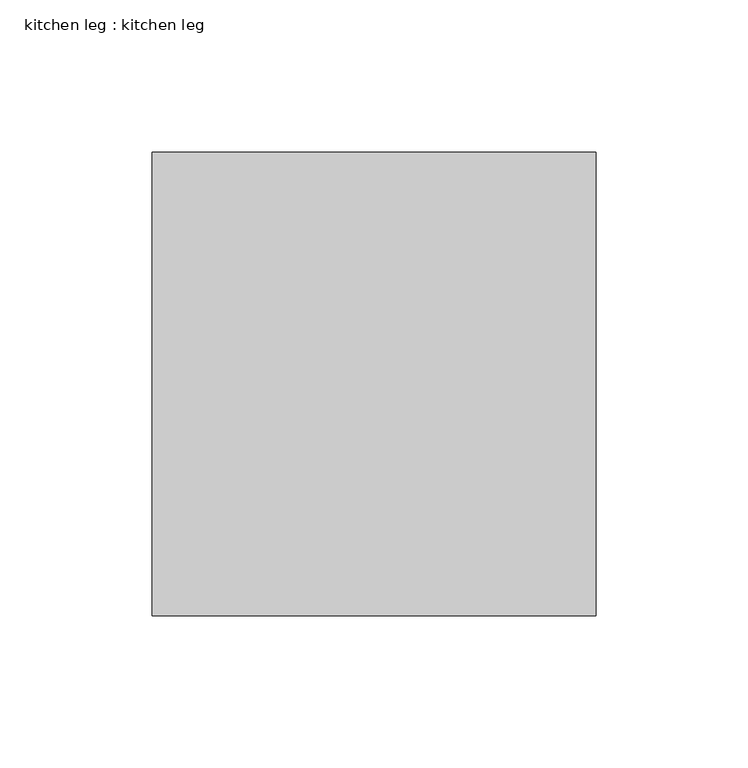
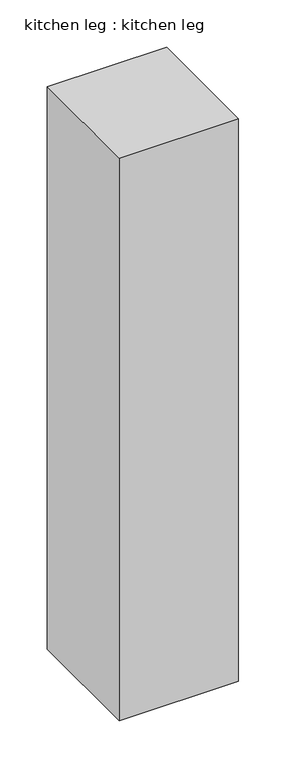
"""IFC4 building model written with IfcOpenShell, lengths in millimetres: proxy geometry, kitchen leg : kitchen leg."""

from ifc_helpers import new_model, si_unit, origin, origin_with_axes, place, context, project, spatial, polyline, outline, extrude, source, transform, mapped, element, save


def kitchen_leg_kitchen_leg_1d2bf3eb(model_context):
    return source(origin(), model_context, "Body", "SweptSolid", [
        extrude(outline(polyline([(-9562.4136103, 4265.8501285), (-9562.4136103, 4113.4501285), (-9708.4636103, 4113.4501285), (-9708.4636103, 4265.8501285), (-9562.4136103, 4265.8501285)])), origin_with_axes(), (0.0, 0.0, 1.0), 727.7222068),
    ])


if __name__ == "__main__":
    model = new_model("IFC4")
    model_context = context("Model", 3, world=origin())
    ifc_project = project(units=[si_unit("LENGTHUNIT", "METRE", prefix="MILLI")], contexts=[model_context])
    site = spatial("IfcSite", under=ifc_project)
    building = spatial("IfcBuilding", under=site)
    placement = place(None, origin())
    kitchen_leg_kitchen_leg_shape = kitchen_leg_kitchen_leg_1d2bf3eb(model_context)
    element("IfcBuildingElementProxy", 1, Name="kitchen leg : kitchen leg", ObjectType="kitchen leg : kitchen leg", at=placement, inside=building, context=model_context, shape_type="MappedRepresentation", body=[
        mapped(kitchen_leg_kitchen_leg_shape, transform((0.0, 0.0, 0.0), x_axis=(1.0, 0.0, 0.0), y_axis=(0.0, 1.0, 0.0), z_axis=(0.0, 0.0, 1.0))),
    ])
    save(model, "model.ifc")
